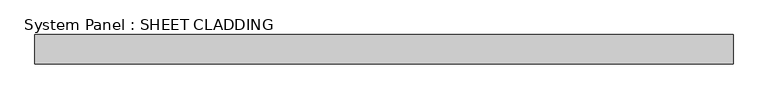
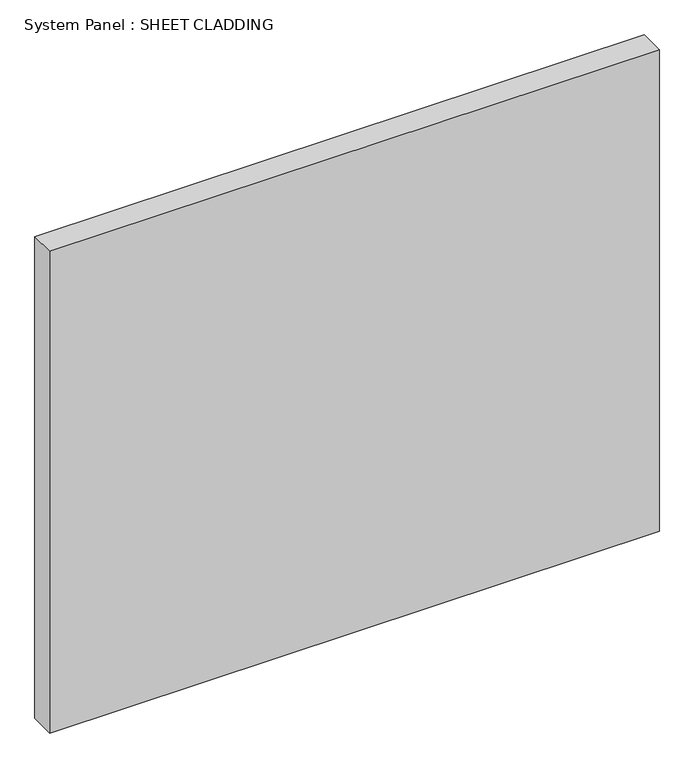
"""IFC4 building model written with IfcOpenShell, lengths in millimetres: plate geometry, System Panel : SHEET CLADDING."""

from ifc_helpers import new_model, si_unit, origin, origin_with_axes, place, context, project, spatial, polyline, outline, extrude, source, transform, mapped, element, save


def system_panel_sheet_cladding_cef5598b(model_context):
    return source(origin(), model_context, "Body", "SweptSolid", [
        extrude(outline(polyline([(718.75, -49.5), (-718.75, -49.5), (-718.75, 10.5), (718.75, 10.5), (718.75, -49.5)])), origin_with_axes(), (0.0, 0.0, 1.0), 1200.0),
    ])


if __name__ == "__main__":
    model = new_model("IFC4")
    model_context = context("Model", 3, world=origin())
    ifc_project = project(units=[si_unit("LENGTHUNIT", "METRE", prefix="MILLI")], contexts=[model_context])
    site = spatial("IfcSite", under=ifc_project)
    building = spatial("IfcBuilding", under=site)
    placement = place(None, origin())
    system_panel_sheet_cladding_shape = system_panel_sheet_cladding_cef5598b(model_context)
    element("IfcPlate", 1, ObjectType="System Panel : SHEET CLADDING", at=placement, inside=building, context=model_context, shape_type="MappedRepresentation", body=[
        mapped(system_panel_sheet_cladding_shape, transform((0.0, 0.0, 0.0), x_axis=(1.0, 0.0, 0.0), y_axis=(0.0, 1.0, 0.0), z_axis=(0.0, 0.0, 1.0))),
    ])
    save(model, "model.ifc")
